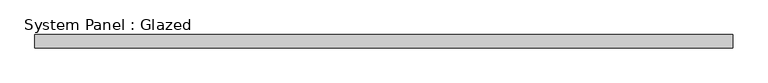
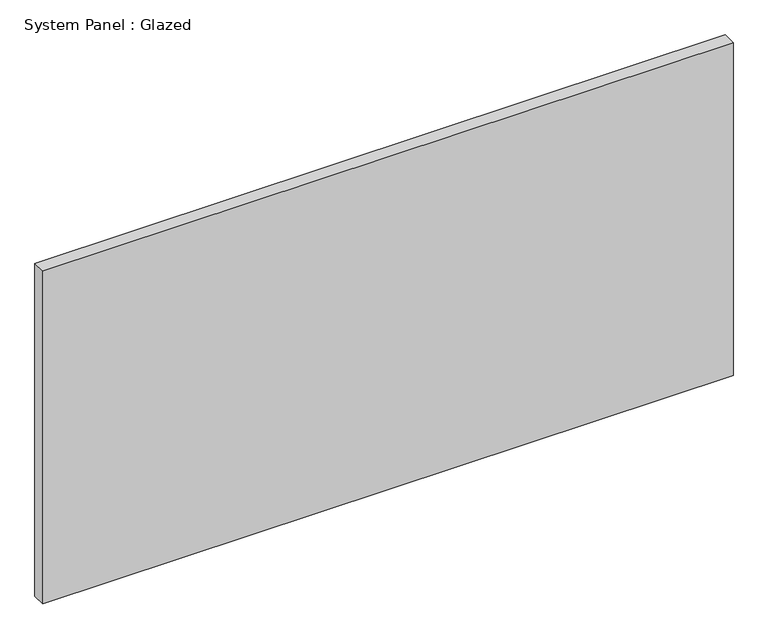
"""IFC4 building model written with IfcOpenShell, lengths in millimetres: plate geometry, System Panel : Glazed."""

from ifc_helpers import new_model, si_unit, origin, origin_with_axes, place, context, project, spatial, polyline, outline, extrude, source, transform, mapped, element, save


def system_panel_glazed_25e80d9b(model_context):
    return source(origin(), model_context, "Body", "SweptSolid", [
        extrude(outline(polyline([(653.4091793, 19.05), (-653.4091793, 19.05), (-653.4091793, 44.45), (653.4091793, 44.45), (653.4091793, 19.05)])), origin_with_axes(), (0.0, 0.0, 1.0), 666.35),
    ])


if __name__ == "__main__":
    model = new_model("IFC4")
    model_context = context("Model", 3, world=origin())
    ifc_project = project(units=[si_unit("LENGTHUNIT", "METRE", prefix="MILLI")], contexts=[model_context])
    site = spatial("IfcSite", under=ifc_project)
    building = spatial("IfcBuilding", under=site)
    placement = place(None, origin())
    system_panel_glazed_shape = system_panel_glazed_25e80d9b(model_context)
    element("IfcPlate", 1, ObjectType="System Panel : Glazed", at=placement, inside=building, context=model_context, shape_type="MappedRepresentation", body=[
        mapped(system_panel_glazed_shape, transform((0.0, 0.0, 0.0), x_axis=(1.0, 0.0, 0.0), y_axis=(0.0, 1.0, 0.0), z_axis=(0.0, 0.0, 1.0))),
    ])
    save(model, "model.ifc")
